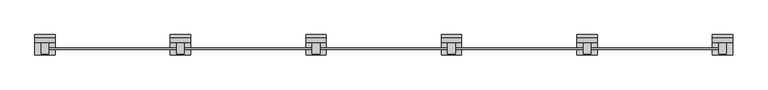
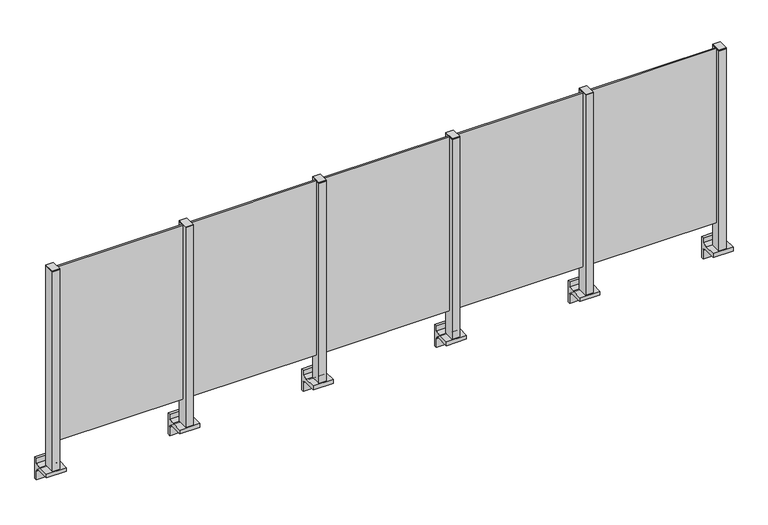
"""IFC4 building model written with IfcOpenShell, lengths in millimetres: railing geometry."""

from ifc_helpers import new_model, si_unit, point, frame, frame_2d, origin, place, context, project, spatial, polyline, circle_curve, trimmed, segment, composite_curve, outline, extrude, source, transform, mapped, element, save


def railing_e6de4d2b(model_context):
    return source(origin(), model_context, "Body", "SweptSolid", [
        extrude(outline(polyline([(75210.0, 7311.9094929), (75210.0, 7321.9094929), (75990.0, 7321.9094929), (75990.0, 7311.9094929), (75210.0, 7311.9094929)])), frame((0.0, 0.0, 95.0), z_axis=(0.0, 0.0, 1.0), x_axis=(1.0, 0.0, 0.0)), (0.0, 0.0, 1.0), 1105.0),
        extrude(outline(composite_curve([segment(polyline([(7350.1846828, -70.0), (7384.1846828, -63.0), (7384.1846828, -32.5), (7400.1846828, -32.5), (7400.1846828, -167.5), (7384.1846828, -167.5), (7384.1846828, -113.5)]), True, "CONTINUOUS"), segment(trimmed(circle_curve(frame_2d((7364.1846828, -113.5)), 20.0), [point((7384.1846828, -113.5))], [point((7364.1846828, -93.5))], True, "CARTESIAN"), True, "CONTINUOUS"), segment(polyline([(7364.1846828, -93.5), (7280.1846828, -93.5), (7280.1846828, -70.0), (7350.1846828, -70.0)]), True, "CONTINUOUS")], self_intersect=False)), frame((75140.0, 0.0, 0.0), z_axis=(1.0, 0.0, 0.0), x_axis=(0.0, 1.0, 0.0)), (0.0, 0.0, 1.0), 120.0),
        extrude(outline(polyline([(75222.5, 7350.1846828), (75222.5, 7285.1846828), (75177.5, 7285.1846828), (75177.5, 7350.1846828), (75222.5, 7350.1846828)])), frame((0.0, 0.0, -70.0), z_axis=(0.0, 0.0, 1.0), x_axis=(1.0, 0.0, 0.0)), (0.0, 0.0, 1.0), 1270.0),
        extrude(outline(polyline([(75222.5, 7350.1846828), (75222.5, 7285.1846828), (75177.5, 7285.1846828), (75177.5, 7350.1846828), (75222.5, 7350.1846828)])), frame((0.0, 0.0, 1200.0), z_axis=(0.0, 0.0, 1.0), x_axis=(1.0, 0.0, 0.0)), (0.0, 0.0, 1.0), 5.0),
        extrude(outline(polyline([(74410.0, 7311.9094929), (74410.0, 7321.9094929), (75190.0, 7321.9094929), (75190.0, 7311.9094929), (74410.0, 7311.9094929)])), frame((0.0, 0.0, 95.0), z_axis=(0.0, 0.0, 1.0), x_axis=(1.0, 0.0, 0.0)), (0.0, 0.0, 1.0), 1105.0),
        extrude(outline(composite_curve([segment(polyline([(7350.1846828, -70.0), (7384.1846828, -63.0), (7384.1846828, -32.5), (7400.1846828, -32.5), (7400.1846828, -167.5), (7384.1846828, -167.5), (7384.1846828, -113.5)]), True, "CONTINUOUS"), segment(trimmed(circle_curve(frame_2d((7364.1846828, -113.5)), 20.0), [point((7384.1846828, -113.5))], [point((7364.1846828, -93.5))], True, "CARTESIAN"), True, "CONTINUOUS"), segment(polyline([(7364.1846828, -93.5), (7280.1846828, -93.5), (7280.1846828, -70.0), (7350.1846828, -70.0)]), True, "CONTINUOUS")], self_intersect=False)), frame((74340.0, 0.0, 0.0), z_axis=(1.0, 0.0, 0.0), x_axis=(0.0, 1.0, 0.0)), (0.0, 0.0, 1.0), 120.0),
        extrude(outline(polyline([(74422.5, 7350.1846828), (74422.5, 7285.1846828), (74377.5, 7285.1846828), (74377.5, 7350.1846828), (74422.5, 7350.1846828)])), frame((0.0, 0.0, -70.0), z_axis=(0.0, 0.0, 1.0), x_axis=(1.0, 0.0, 0.0)), (0.0, 0.0, 1.0), 1270.0),
        extrude(outline(polyline([(74422.5, 7350.1846828), (74422.5, 7285.1846828), (74377.5, 7285.1846828), (74377.5, 7350.1846828), (74422.5, 7350.1846828)])), frame((0.0, 0.0, 1200.0), z_axis=(0.0, 0.0, 1.0), x_axis=(1.0, 0.0, 0.0)), (0.0, 0.0, 1.0), 5.0),
        extrude(outline(polyline([(73610.0, 7311.9094929), (73610.0, 7321.9094929), (74390.0, 7321.9094929), (74390.0, 7311.9094929), (73610.0, 7311.9094929)])), frame((0.0, 0.0, 95.0), z_axis=(0.0, 0.0, 1.0), x_axis=(1.0, 0.0, 0.0)), (0.0, 0.0, 1.0), 1105.0),
        extrude(outline(composite_curve([segment(polyline([(7350.1846828, -70.0), (7384.1846828, -63.0), (7384.1846828, -32.5), (7400.1846828, -32.5), (7400.1846828, -167.5), (7384.1846828, -167.5), (7384.1846828, -113.5)]), True, "CONTINUOUS"), segment(trimmed(circle_curve(frame_2d((7364.1846828, -113.5)), 20.0), [point((7384.1846828, -113.5))], [point((7364.1846828, -93.5))], True, "CARTESIAN"), True, "CONTINUOUS"), segment(polyline([(7364.1846828, -93.5), (7280.1846828, -93.5), (7280.1846828, -70.0), (7350.1846828, -70.0)]), True, "CONTINUOUS")], self_intersect=False)), frame((73540.0, 0.0, 0.0), z_axis=(1.0, 0.0, 0.0), x_axis=(0.0, 1.0, 0.0)), (0.0, 0.0, 1.0), 120.0),
        extrude(outline(polyline([(73622.5, 7350.1846828), (73622.5, 7285.1846828), (73577.5, 7285.1846828), (73577.5, 7350.1846828), (73622.5, 7350.1846828)])), frame((0.0, 0.0, -70.0), z_axis=(0.0, 0.0, 1.0), x_axis=(1.0, 0.0, 0.0)), (0.0, 0.0, 1.0), 1270.0),
        extrude(outline(polyline([(73622.5, 7350.1846828), (73622.5, 7285.1846828), (73577.5, 7285.1846828), (73577.5, 7350.1846828), (73622.5, 7350.1846828)])), frame((0.0, 0.0, 1200.0), z_axis=(0.0, 0.0, 1.0), x_axis=(1.0, 0.0, 0.0)), (0.0, 0.0, 1.0), 5.0),
        extrude(outline(polyline([(72810.0, 7311.9094929), (72810.0, 7321.9094929), (73590.0, 7321.9094929), (73590.0, 7311.9094929), (72810.0, 7311.9094929)])), frame((0.0, 0.0, 95.0), z_axis=(0.0, 0.0, 1.0), x_axis=(1.0, 0.0, 0.0)), (0.0, 0.0, 1.0), 1105.0),
        extrude(outline(composite_curve([segment(polyline([(7350.1846828, -70.0), (7384.1846828, -63.0), (7384.1846828, -32.5), (7400.1846828, -32.5), (7400.1846828, -167.5), (7384.1846828, -167.5), (7384.1846828, -113.5)]), True, "CONTINUOUS"), segment(trimmed(circle_curve(frame_2d((7364.1846828, -113.5)), 20.0), [point((7384.1846828, -113.5))], [point((7364.1846828, -93.5))], True, "CARTESIAN"), True, "CONTINUOUS"), segment(polyline([(7364.1846828, -93.5), (7280.1846828, -93.5), (7280.1846828, -70.0), (7350.1846828, -70.0)]), True, "CONTINUOUS")], self_intersect=False)), frame((72740.0, 0.0, 0.0), z_axis=(1.0, 0.0, 0.0), x_axis=(0.0, 1.0, 0.0)), (0.0, 0.0, 1.0), 120.0),
        extrude(outline(polyline([(72822.5, 7350.1846828), (72822.5, 7285.1846828), (72777.5, 7285.1846828), (72777.5, 7350.1846828), (72822.5, 7350.1846828)])), frame((0.0, 0.0, -70.0), z_axis=(0.0, 0.0, 1.0), x_axis=(1.0, 0.0, 0.0)), (0.0, 0.0, 1.0), 1270.0),
        extrude(outline(polyline([(72822.5, 7350.1846828), (72822.5, 7285.1846828), (72777.5, 7285.1846828), (72777.5, 7350.1846828), (72822.5, 7350.1846828)])), frame((0.0, 0.0, 1200.0), z_axis=(0.0, 0.0, 1.0), x_axis=(1.0, 0.0, 0.0)), (0.0, 0.0, 1.0), 5.0),
        extrude(outline(polyline([(72010.0, 7311.9094929), (72010.0, 7321.9094929), (72790.0, 7321.9094929), (72790.0, 7311.9094929), (72010.0, 7311.9094929)])), frame((0.0, 0.0, 95.0), z_axis=(0.0, 0.0, 1.0), x_axis=(1.0, 0.0, 0.0)), (0.0, 0.0, 1.0), 1105.0),
        extrude(outline(composite_curve([segment(polyline([(7350.1846828, -70.0), (7384.1846828, -63.0), (7384.1846828, -32.5), (7400.1846828, -32.5), (7400.1846828, -167.5), (7384.1846828, -167.5), (7384.1846828, -113.5)]), True, "CONTINUOUS"), segment(trimmed(circle_curve(frame_2d((7364.1846828, -113.5)), 20.0), [point((7384.1846828, -113.5))], [point((7364.1846828, -93.5))], True, "CARTESIAN"), True, "CONTINUOUS"), segment(polyline([(7364.1846828, -93.5), (7280.1846828, -93.5), (7280.1846828, -70.0), (7350.1846828, -70.0)]), True, "CONTINUOUS")], self_intersect=False)), frame((75940.0, 0.0, 0.0), z_axis=(1.0, 0.0, 0.0), x_axis=(0.0, 1.0, 0.0)), (0.0, 0.0, 1.0), 120.0),
        extrude(outline(polyline([(76022.5, 7350.1846828), (76022.5, 7285.1846828), (75977.5, 7285.1846828), (75977.5, 7350.1846828), (76022.5, 7350.1846828)])), frame((0.0, 0.0, -70.0), z_axis=(0.0, 0.0, 1.0), x_axis=(1.0, 0.0, 0.0)), (0.0, 0.0, 1.0), 1270.0),
        extrude(outline(polyline([(76022.5, 7350.1846828), (76022.5, 7285.1846828), (75977.5, 7285.1846828), (75977.5, 7350.1846828), (76022.5, 7350.1846828)])), frame((0.0, 0.0, 1200.0), z_axis=(0.0, 0.0, 1.0), x_axis=(1.0, 0.0, 0.0)), (0.0, 0.0, 1.0), 5.0),
        extrude(outline(composite_curve([segment(polyline([(7350.1846828, -70.0), (7384.1846828, -63.0), (7384.1846828, -32.5), (7400.1846828, -32.5), (7400.1846828, -167.5), (7384.1846828, -167.5), (7384.1846828, -113.5)]), True, "CONTINUOUS"), segment(trimmed(circle_curve(frame_2d((7364.1846828, -113.5)), 20.0), [point((7384.1846828, -113.5))], [point((7364.1846828, -93.5))], True, "CARTESIAN"), True, "CONTINUOUS"), segment(polyline([(7364.1846828, -93.5), (7280.1846828, -93.5), (7280.1846828, -70.0), (7350.1846828, -70.0)]), True, "CONTINUOUS")], self_intersect=False)), frame((71940.0, 0.0, 0.0), z_axis=(1.0, 0.0, 0.0), x_axis=(0.0, 1.0, 0.0)), (0.0, 0.0, 1.0), 120.0),
        extrude(outline(polyline([(72022.5, 7350.1846828), (72022.5, 7285.1846828), (71977.5, 7285.1846828), (71977.5, 7350.1846828), (72022.5, 7350.1846828)])), frame((0.0, 0.0, -70.0), z_axis=(0.0, 0.0, 1.0), x_axis=(1.0, 0.0, 0.0)), (0.0, 0.0, 1.0), 1270.0),
        extrude(outline(polyline([(72022.5, 7350.1846828), (72022.5, 7285.1846828), (71977.5, 7285.1846828), (71977.5, 7350.1846828), (72022.5, 7350.1846828)])), frame((0.0, 0.0, 1200.0), z_axis=(0.0, 0.0, 1.0), x_axis=(1.0, 0.0, 0.0)), (0.0, 0.0, 1.0), 5.0),
    ])


if __name__ == "__main__":
    model = new_model("IFC4")
    model_context = context("Model", 3, world=origin())
    ifc_project = project(units=[si_unit("LENGTHUNIT", "METRE", prefix="MILLI")], contexts=[model_context])
    site = spatial("IfcSite", under=ifc_project)
    building = spatial("IfcBuilding", under=site)
    placement = place(None, origin())
    railing_shape = railing_e6de4d2b(model_context)
    element("IfcRailing", 1, at=placement, inside=building, context=model_context, shape_type="MappedRepresentation", body=[
        mapped(railing_shape, transform((0.0, 0.0, 0.0), x_axis=(1.0, 0.0, 0.0), y_axis=(0.0, 1.0, 0.0), z_axis=(0.0, 0.0, 1.0))),
    ])
    save(model, "model.ifc")
